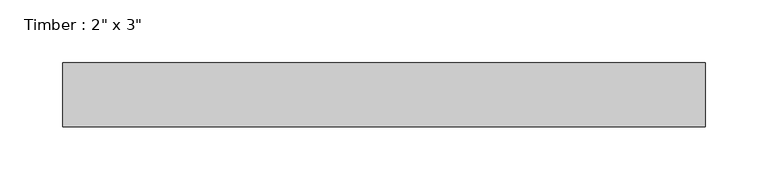
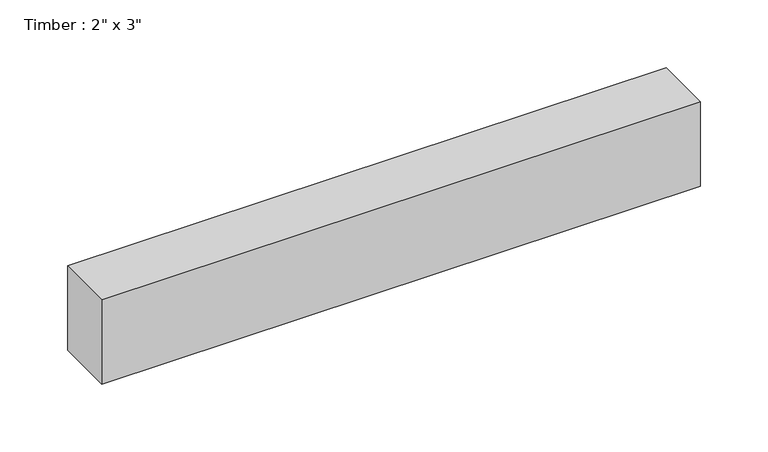
"""IFC4 building model written with IfcOpenShell, lengths in millimetres: beam geometry."""

from ifc_helpers import new_model, si_unit, frame, origin, place, context, project, spatial, polyline, outline, extrude, source, transform, mapped, element, save


def beam_de4c67a8(model_context):
    return source(origin(), model_context, "Body", "SweptSolid", [
        extrude(outline(polyline([(255.5896873, 25.4), (255.5896873, -25.4), (-255.5896873, -25.4), (-255.5896873, 25.4), (255.5896873, 25.4)])), frame((0.0, 0.0, -38.1), z_axis=(0.0, 0.0, 1.0), x_axis=(1.0, 0.0, 0.0)), (0.0, 0.0, 1.0), 76.2),
    ])


if __name__ == "__main__":
    model = new_model("IFC4")
    model_context = context("Model", 3, world=origin())
    ifc_project = project(units=[si_unit("LENGTHUNIT", "METRE", prefix="MILLI")], contexts=[model_context])
    site = spatial("IfcSite", under=ifc_project)
    building = spatial("IfcBuilding", under=site)
    placement = place(None, origin())
    beam_shape = beam_de4c67a8(model_context)
    element("IfcBeam", 1, ObjectType="Timber : 2\" x 3\"", at=placement, inside=building, context=model_context, shape_type="MappedRepresentation", body=[
        mapped(beam_shape, transform((0.0, 0.0, 0.0), x_axis=(1.0, 0.0, 0.0), y_axis=(0.0, 1.0, 0.0), z_axis=(0.0, 0.0, 1.0))),
    ])
    save(model, "model.ifc")
